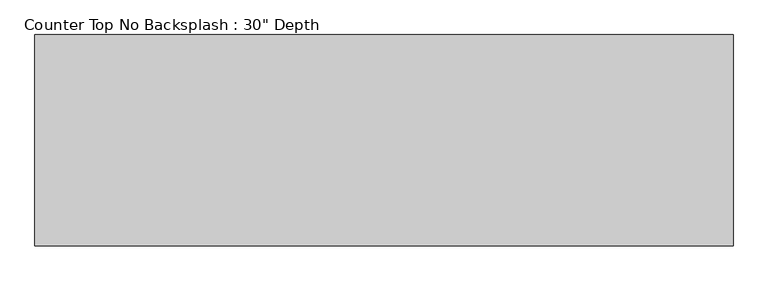
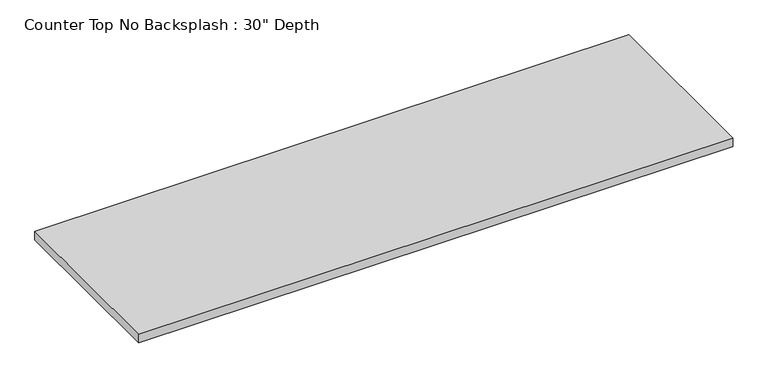
"""IFC4 building model written with IfcOpenShell, lengths in millimetres: furniture geometry."""

from ifc_helpers import new_model, si_unit, frame, origin, place, context, project, spatial, polyline, outline, extrude, source, transform, mapped, element, save


def furniture_1ac47d2e(model_context):
    return source(origin(), model_context, "Body", "SweptSolid", [
        extrude(outline(polyline([(1314.1373173, 0.0), (1314.1373173, -762.0), (-1200.4622951, -762.0), (-1200.4622951, 0.0), (1314.1373173, 0.0)])), frame((0.0, 0.0, 876.3), z_axis=(0.0, 0.0, 1.0), x_axis=(1.0, 0.0, 0.0)), (0.0, 0.0, 1.0), 38.1),
    ])


if __name__ == "__main__":
    model = new_model("IFC4")
    model_context = context("Model", 3, world=origin())
    ifc_project = project(units=[si_unit("LENGTHUNIT", "METRE", prefix="MILLI")], contexts=[model_context])
    site = spatial("IfcSite", under=ifc_project)
    building = spatial("IfcBuilding", under=site)
    placement = place(None, origin())
    furniture_shape = furniture_1ac47d2e(model_context)
    element("IfcFurniture", 1, ObjectType="Counter Top No Backsplash : 30\" Depth", at=placement, inside=building, context=model_context, shape_type="MappedRepresentation", body=[
        mapped(furniture_shape, transform((0.0, 0.0, 0.0), x_axis=(1.0, 0.0, 0.0), y_axis=(0.0, 1.0, 0.0), z_axis=(0.0, 0.0, 1.0))),
    ])
    save(model, "model.ifc")
